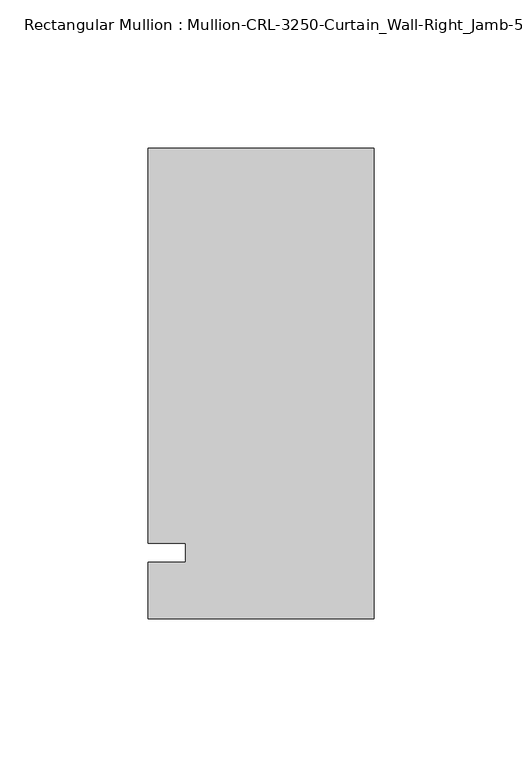
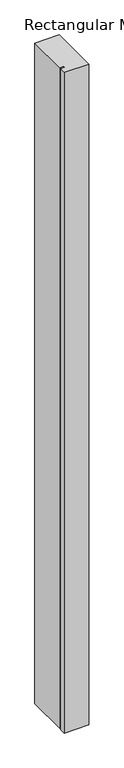
"""IFC4 building model written with IfcOpenShell, lengths in millimetres: member geometry."""

from ifc_helpers import new_model, si_unit, frame, origin, place, context, project, spatial, polyline, outline, extrude, source, transform, mapped, element, save


def member_a143de57(model_context):
    return source(origin(), model_context, "Body", "SweptSolid", [
        extrude(outline(polyline([(0.0, -22.2254168), (-76.199997, -22.2254168), (-76.199997, -3.175), (-63.499997, -3.175), (-63.499997, 3.175), (-76.199997, 3.175), (-76.199997, 136.5240673), (0.0, 136.5240673), (0.0, -22.2254168)])), frame((0.0, 0.0, -2178.05), z_axis=(0.0, 0.0, 1.0), x_axis=(1.0, 0.0, 0.0)), (0.0, 0.0, 1.0), 2178.05),
    ])


if __name__ == "__main__":
    model = new_model("IFC4")
    model_context = context("Model", 3, world=origin())
    ifc_project = project(units=[si_unit("LENGTHUNIT", "METRE", prefix="MILLI")], contexts=[model_context])
    site = spatial("IfcSite", under=ifc_project)
    building = spatial("IfcBuilding", under=site)
    placement = place(None, origin())
    member_shape = member_a143de57(model_context)
    element("IfcMember", 1, ObjectType="Rectangular Mullion : Mullion-CRL-3250-Curtain_Wall-Right_Jamb-5\"", at=placement, inside=building, context=model_context, shape_type="MappedRepresentation", body=[
        mapped(member_shape, transform((0.0, 0.0, 0.0), x_axis=(1.0, 0.0, 0.0), y_axis=(0.0, 1.0, 0.0), z_axis=(0.0, 0.0, 1.0))),
    ])
    save(model, "model.ifc")
